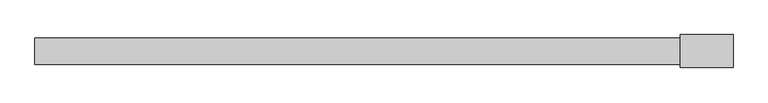
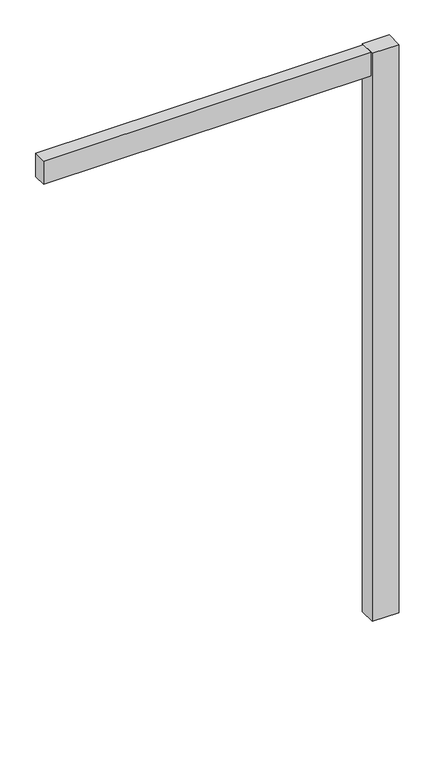
"""IFC4 building model written with IfcOpenShell, lengths in millimetres: furniture geometry."""

from ifc_helpers import new_model, si_unit, frame, origin, place, context, project, spatial, polyline, circle_curve, outline, extrude, source, transform, mapped, element, save
from ifc_brep_helpers import plane_surface, cylinder_surface, revolved_surface, advanced_brep


def furniture_3d457bff(model_context):
    return source(origin(), model_context, "Body", "SolidModel", [
        advanced_brep(
        [(1299.0593183, 0.0, 8.6192084), (1285.6446817, 0.0, 8.6192084), (1285.6446817, 0.0, 12.2513995), (1299.0593183, 0.0, 12.2513995), (1292.352, 0.0, 12.2513995), (1292.352, 0.0, 0.1343169), (1288.4563345, 0.0, 0.1343169), (1296.2476655, 0.0, 0.1343169), (1283.7540951, 0.0, 0.5457096), (1300.9499049, 0.0, 0.5457096), (1281.8216967, 0.0, 1.6168555), (1302.8823033, 0.0, 1.6168555), (1281.1028815, 0.0, 3.5917842), (1303.6011185, 0.0, 3.5917842), (1281.1028815, 0.0, 5.5815918), (1303.6011185, 0.0, 5.5815918), (1281.4635605, 0.0, 6.9276644), (1303.2404395, 0.0, 6.9276644), (1282.4901926, 0.0, 7.9542964), (1302.2138074, 0.0, 7.9542964), (1284.1359075, 0.0, 8.6192084), (1300.5680925, 0.0, 8.6192084)],
        [
            (0, 1, circle_curve(frame((1292.352, 0.0, 8.6192084), z_axis=(0.0, 0.0, 1.0), x_axis=(-1.0, 0.0, 0.0)), 6.7073183)),
            (1, 2),
            (2, 3, circle_curve(frame((1292.352, 0.0, 12.2513995), z_axis=(0.0, 0.0, -1.0), x_axis=(-1.0, 0.0, 0.0)), 6.7073183)),
            (3, 0),
            (1, 0, circle_curve(frame((1292.352, 0.0, 8.6192084), z_axis=(0.0, 0.0, 1.0), x_axis=(-1.0, 0.0, 0.0)), 6.7073183)),
            (3, 2, circle_curve(frame((1292.352, 0.0, 12.2513995), z_axis=(0.0, 0.0, -1.0), x_axis=(-1.0, 0.0, 0.0)), 6.7073183)),
            (2, 4),
            (4, 3),
            (5, 6),
            (6, 7, circle_curve(frame((1292.352, 0.0, 0.1343169), z_axis=(0.0, 0.0, -1.0), x_axis=(-1.0, 0.0, 0.0)), 3.8956655)),
            (7, 5),
            (7, 6, circle_curve(frame((1292.352, 0.0, 0.1343169), z_axis=(0.0, 0.0, -1.0), x_axis=(-1.0, 0.0, 0.0)), 3.8956655)),
            (6, 8),
            (8, 9, circle_curve(frame((1292.352, 0.0, 0.5457096), z_axis=(0.0, 0.0, -1.0), x_axis=(-1.0, 0.0, 0.0)), 8.5979049)),
            (9, 7),
            (9, 8, circle_curve(frame((1292.352, 0.0, 0.5457096), z_axis=(0.0, 0.0, -1.0), x_axis=(-1.0, 0.0, 0.0)), 8.5979049)),
            (8, 10),
            (10, 11, circle_curve(frame((1292.352, 0.0, 1.6168555), z_axis=(0.0, 0.0, -1.0), x_axis=(-1.0, 0.0, 0.0)), 10.5303033)),
            (11, 9),
            (11, 10, circle_curve(frame((1292.352, 0.0, 1.6168555), z_axis=(0.0, 0.0, -1.0), x_axis=(-1.0, 0.0, 0.0)), 10.5303033)),
            (10, 12),
            (12, 13, circle_curve(frame((1292.352, 0.0, 3.5917842), z_axis=(0.0, 0.0, -1.0), x_axis=(-1.0, 0.0, 0.0)), 11.2491185)),
            (13, 11),
            (13, 12, circle_curve(frame((1292.352, 0.0, 3.5917842), z_axis=(0.0, 0.0, -1.0), x_axis=(-1.0, 0.0, 0.0)), 11.2491185)),
            (12, 14),
            (14, 15, circle_curve(frame((1292.352, 0.0, 5.5815918), z_axis=(0.0, 0.0, -1.0), x_axis=(-1.0, 0.0, 0.0)), 11.2491185)),
            (15, 13),
            (15, 14, circle_curve(frame((1292.352, 0.0, 5.5815918), z_axis=(0.0, 0.0, -1.0), x_axis=(-1.0, 0.0, 0.0)), 11.2491185)),
            (14, 16),
            (16, 17, circle_curve(frame((1292.352, 0.0, 6.9276644), z_axis=(0.0, 0.0, -1.0), x_axis=(-1.0, 0.0, 0.0)), 10.8884395)),
            (17, 15),
            (17, 16, circle_curve(frame((1292.352, 0.0, 6.9276644), z_axis=(0.0, 0.0, -1.0), x_axis=(-1.0, 0.0, 0.0)), 10.8884395)),
            (16, 18),
            (18, 19, circle_curve(frame((1292.352, 0.0, 7.9542964), z_axis=(0.0, 0.0, -1.0), x_axis=(-1.0, 0.0, 0.0)), 9.8618074)),
            (19, 17),
            (19, 18, circle_curve(frame((1292.352, 0.0, 7.9542964), z_axis=(0.0, 0.0, -1.0), x_axis=(-1.0, 0.0, 0.0)), 9.8618074)),
            (18, 20),
            (20, 21, circle_curve(frame((1292.352, 0.0, 8.6192084), z_axis=(0.0, 0.0, -1.0), x_axis=(-1.0, 0.0, 0.0)), 8.2160925)),
            (21, 19),
            (21, 20, circle_curve(frame((1292.352, 0.0, 8.6192084), z_axis=(0.0, 0.0, -1.0), x_axis=(-1.0, 0.0, 0.0)), 8.2160925)),
            (20, 1),
            (0, 21),
        ],
        [
            cylinder_surface(frame((1292.352, 0.0, 12.9264669), z_axis=(0.0, 0.0, -1.0), x_axis=(-1.0, 0.0, 0.0)), 6.7073183),
            plane_surface(frame((1292.352, 0.0, 12.2513995), z_axis=(0.0, 0.0, 1.0), x_axis=(-1.0, 0.0, 0.0))),
            plane_surface(frame((1292.352, 0.0, 0.1343169), z_axis=(0.0, 0.0, -1.0), x_axis=(-1.0, 0.0, 0.0))),
            revolved_surface(polyline([(1283.7540951, 0.0, 0.5457096), (1288.4563345, 0.0, 0.1343169)]), (1292.352, 0.0, 12.9264669), (0.0, 0.0, -1.0)),
            revolved_surface(polyline([(1281.8216967, 0.0, 1.6168555), (1283.7540951, 0.0, 0.5457096)]), (1292.352, 0.0, 12.9264669), (0.0, 0.0, -1.0)),
            revolved_surface(polyline([(1281.1028815, 0.0, 3.5917842), (1281.8216967, 0.0, 1.6168555)]), (1292.352, 0.0, 12.9264669), (0.0, 0.0, -1.0)),
            cylinder_surface(frame((1292.352, 0.0, 12.9264669), z_axis=(0.0, 0.0, -1.0), x_axis=(-1.0, 0.0, 0.0)), 11.2491185),
            revolved_surface(polyline([(1281.4635605, 0.0, 6.9276644), (1281.1028815, 0.0, 5.5815918)]), (1292.352, 0.0, 12.9264669), (0.0, 0.0, -1.0)),
            revolved_surface(polyline([(1282.4901926, 0.0, 7.9542964), (1281.4635605, 0.0, 6.9276644)]), (1292.352, 0.0, 12.9264669), (0.0, 0.0, -1.0)),
            revolved_surface(polyline([(1284.1359075, 0.0, 8.6192084), (1282.4901926, 0.0, 7.9542964)]), (1292.352, 0.0, 12.9264669), (0.0, 0.0, -1.0)),
            plane_surface(frame((1292.352, 0.0, 8.6192084), z_axis=(0.0, 0.0, 1.0), x_axis=(-1.0, 0.0, 0.0))),
        ],
        [
            (0, [[1, 2, 3, 4]]),
            (0, [[5, -4, 6, -2]]),
            (1, [[-3, 7, 8]]),
            (1, [[-6, -8, -7]]),
            (2, [[9, 10, 11]]),
            (2, [[-11, 12, -9]]),
            (3, [[-10, 13, 14, 15]]),
            (3, [[-12, -15, 16, -13]]),
            (4, [[-14, 17, 18, 19]]),
            (4, [[-16, -19, 20, -17]]),
            (5, [[-18, 21, 22, 23]]),
            (5, [[-20, -23, 24, -21]]),
            (6, [[-22, 25, 26, 27]]),
            (6, [[-24, -27, 28, -25]]),
            (7, [[-26, 29, 30, 31]]),
            (7, [[-28, -31, 32, -29]]),
            (8, [[-30, 33, 34, 35]]),
            (8, [[-32, -35, 36, -33]]),
            (9, [[-34, 37, 38, 39]]),
            (9, [[-36, -39, 40, -37]]),
            (10, [[-38, 41, -1, 42]]),
            (10, [[-40, -42, -5, -41]]),
        ],
    ),
        extrude(outline(polyline([(1343.152, 31.75), (1343.152, -31.75), (1241.552, -31.75), (1241.552, 31.75), (1343.152, 31.75)])), frame((0.0, 0.0, 12.2513995), z_axis=(0.0, 0.0, 1.0), x_axis=(1.0, 0.0, 0.0)), (0.0, 0.0, 1.0), 2273.6216005),
        extrude(outline(polyline([(1241.552, -25.4), (0.0, -25.4), (0.0, 25.4), (1241.552, 25.4), (1241.552, -25.4)])), frame((0.0, 0.0, 2193.163), z_axis=(0.0, 0.0, 1.0), x_axis=(1.0, 0.0, 0.0)), (0.0, 0.0, 1.0), 92.71),
    ])


if __name__ == "__main__":
    model = new_model("IFC4")
    model_context = context("Model", 3, world=origin())
    ifc_project = project(units=[si_unit("LENGTHUNIT", "METRE", prefix="MILLI")], contexts=[model_context])
    site = spatial("IfcSite", under=ifc_project)
    building = spatial("IfcBuilding", under=site)
    placement = place(None, origin())
    furniture_shape = furniture_3d457bff(model_context)
    element("IfcFurniture", 1, at=placement, inside=building, context=model_context, shape_type="MappedRepresentation", body=[
        mapped(furniture_shape, transform((0.0, 0.0, 0.0), x_axis=(1.0, 0.0, 0.0), y_axis=(0.0, 1.0, 0.0), z_axis=(0.0, 0.0, 1.0))),
    ])
    save(model, "model.ifc")
